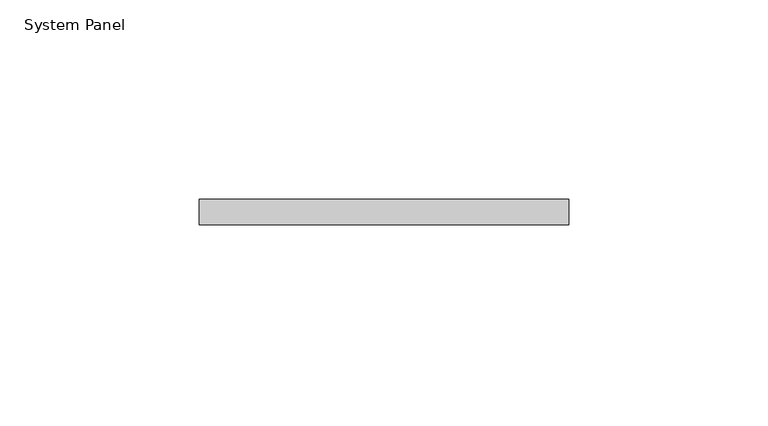
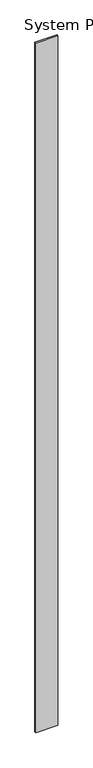
"""IFC4 building model written with IfcOpenShell, lengths in millimetres: plate geometry, System Panel."""

from ifc_helpers import new_model, si_unit, origin, origin_with_axes, place, context, project, spatial, polyline, outline, extrude, source, transform, mapped, element, save


def system_panel_a37984ae(model_context):
    return source(origin(), model_context, "Body", "SweptSolid", [
        extrude(outline(polyline([(46.3549338, 0.0), (-46.3549338, 0.0), (-46.3549338, 6.35), (46.3549338, 6.35), (46.3549338, 0.0)])), origin_with_axes(), (0.0, 0.0, 1.0), 3048.0),
    ])


if __name__ == "__main__":
    model = new_model("IFC4")
    model_context = context("Model", 3, world=origin())
    ifc_project = project(units=[si_unit("LENGTHUNIT", "METRE", prefix="MILLI")], contexts=[model_context])
    site = spatial("IfcSite", under=ifc_project)
    building = spatial("IfcBuilding", under=site)
    placement = place(None, origin())
    system_panel_shape = system_panel_a37984ae(model_context)
    element("IfcPlate", 1, ObjectType="System Panel", at=placement, inside=building, context=model_context, shape_type="MappedRepresentation", body=[
        mapped(system_panel_shape, transform((0.0, 0.0, 0.0), x_axis=(1.0, 0.0, 0.0), y_axis=(0.0, 1.0, 0.0), z_axis=(0.0, 0.0, 1.0))),
    ])
    save(model, "model.ifc")
